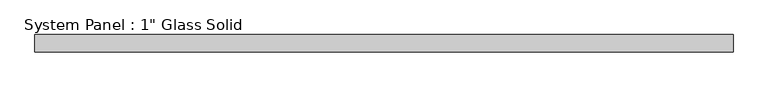
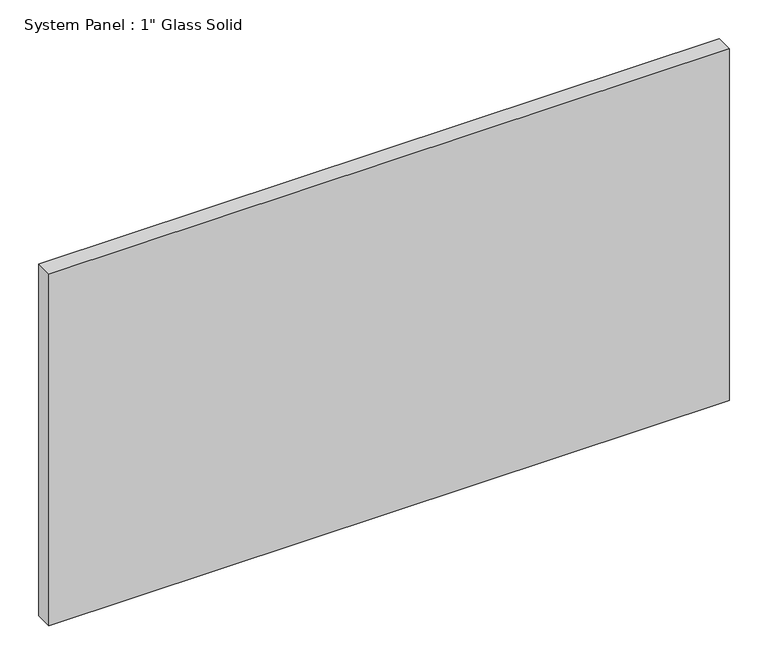
"""IFC4 building model written with IfcOpenShell, lengths in millimetres: plate geometry."""

from ifc_helpers import new_model, si_unit, origin, origin_with_axes, place, context, project, spatial, polyline, outline, extrude, source, transform, mapped, element, save


def plate_fd65a893(model_context):
    return source(origin(), model_context, "Body", "SweptSolid", [
        extrude(outline(polyline([(504.825, -12.7), (-504.825, -12.7), (-504.825, 12.7), (504.825, 12.7), (504.825, -12.7)])), origin_with_axes(), (0.0, 0.0, 1.0), 552.4517704),
    ])


if __name__ == "__main__":
    model = new_model("IFC4")
    model_context = context("Model", 3, world=origin())
    ifc_project = project(units=[si_unit("LENGTHUNIT", "METRE", prefix="MILLI")], contexts=[model_context])
    site = spatial("IfcSite", under=ifc_project)
    building = spatial("IfcBuilding", under=site)
    placement = place(None, origin())
    plate_shape = plate_fd65a893(model_context)
    element("IfcPlate", 1, ObjectType="System Panel : 1\" Glass Solid", at=placement, inside=building, context=model_context, shape_type="MappedRepresentation", body=[
        mapped(plate_shape, transform((0.0, 0.0, 0.0), x_axis=(1.0, 0.0, 0.0), y_axis=(0.0, 1.0, 0.0), z_axis=(0.0, 0.0, 1.0))),
    ])
    save(model, "model.ifc")
